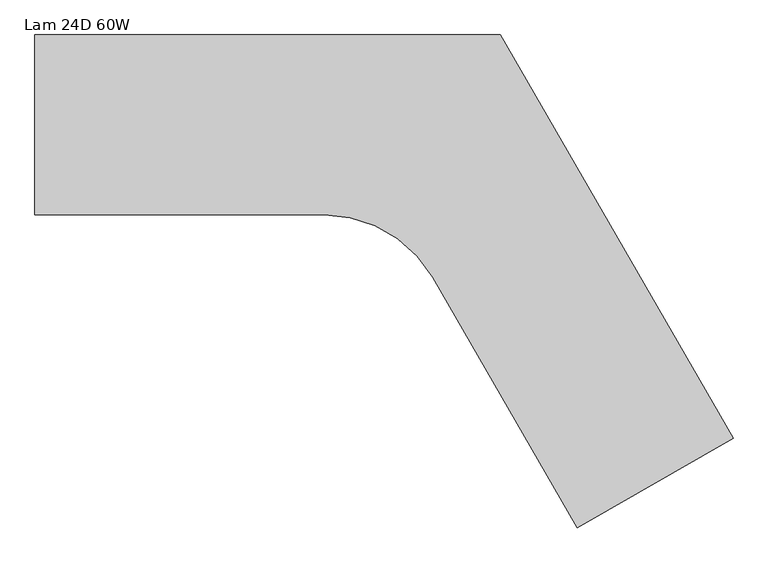
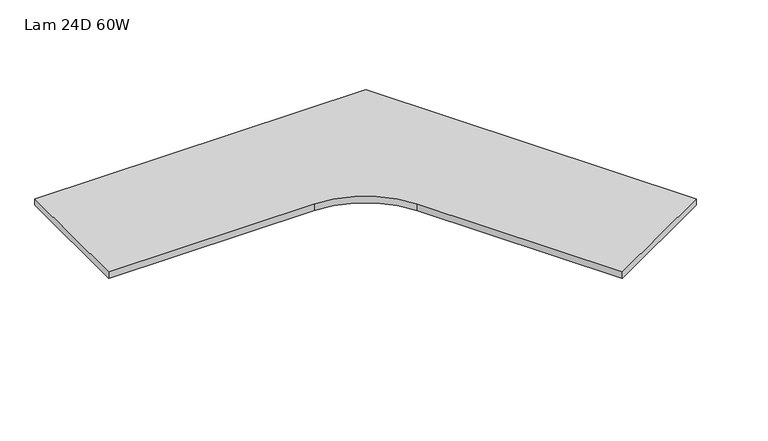
"""IFC4 building model written with IfcOpenShell, lengths in millimetres: furniture geometry, Lam 24D 60W."""

from ifc_helpers import new_model, si_unit, point, frame, frame_2d, origin, place, context, project, spatial, polyline, circle_curve, trimmed, segment, composite_curve, outline, extrude, source, transform, mapped, element, save


def lam_24d_60w_7589c37b(model_context):
    return source(origin(), model_context, "Body", "SweptSolid", [
        extrude(outline(composite_curve([segment(polyline([(598.34018, -25.4), (1353.95208, -1334.1582016), (848.0200391, -1626.2582016), (378.3740391, -812.807468)]), True, "CONTINUOUS"), segment(trimmed(circle_curve(frame_2d((26.40838, -1016.0149361)), 406.4149361), [point((378.3740391, -812.807468))], [point((26.40838, -609.6))], True, "CARTESIAN"), True, "CONTINUOUS"), segment(polyline([(26.40838, -609.6), (-912.88362, -609.6), (-912.88362, -25.4), (598.34018, -25.4)]), True, "CONTINUOUS")], self_intersect=False)), frame((0.0, 0.0, 706.7296), z_axis=(0.0, 0.0, 1.0), x_axis=(1.0, 0.0, 0.0)), (0.0, 0.0, 1.0), 29.8704),
    ])


if __name__ == "__main__":
    model = new_model("IFC4")
    model_context = context("Model", 3, world=origin())
    ifc_project = project(units=[si_unit("LENGTHUNIT", "METRE", prefix="MILLI")], contexts=[model_context])
    site = spatial("IfcSite", under=ifc_project)
    building = spatial("IfcBuilding", under=site)
    placement = place(None, origin())
    lam_24d_60w_shape = lam_24d_60w_7589c37b(model_context)
    element("IfcFurniture", 1, ObjectType="Lam 24D 60W", at=placement, inside=building, context=model_context, shape_type="MappedRepresentation", body=[
        mapped(lam_24d_60w_shape, transform((0.0, 0.0, 0.0), x_axis=(1.0, 0.0, 0.0), y_axis=(0.0, 1.0, 0.0), z_axis=(0.0, 0.0, 1.0))),
    ])
    save(model, "model.ifc")
